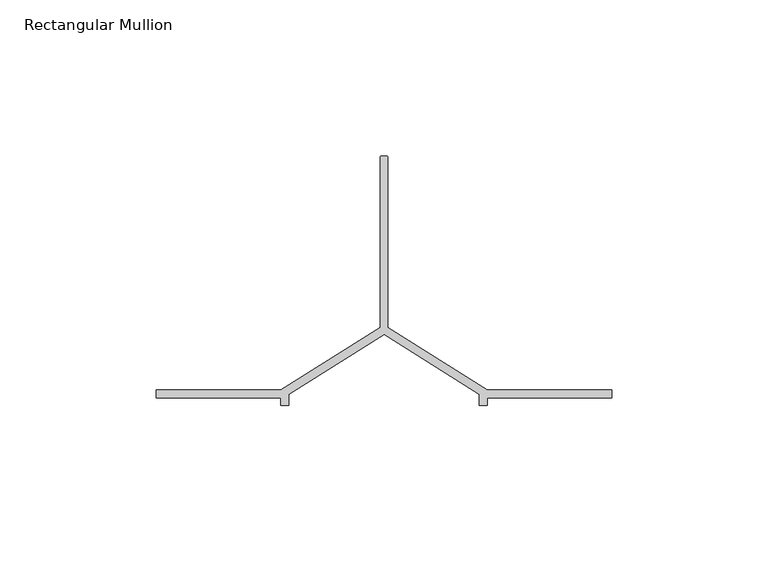
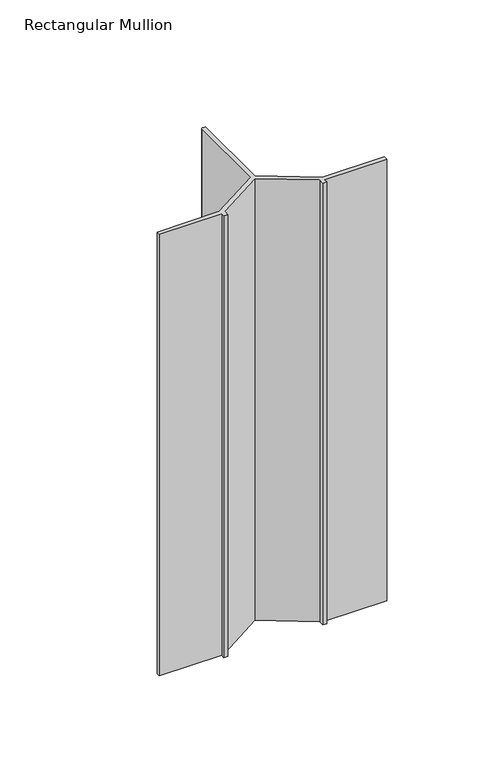
"""IFC4 building model written with IfcOpenShell, lengths in millimetres: member geometry, Rectangular Mullion."""

from ifc_helpers import new_model, si_unit, point, frame, frame_2d, origin, place, context, project, spatial, polyline, circle_curve, trimmed, segment, composite_curve, outline, extrude, source, transform, mapped, element, save


def rectangular_mullion_cc2f1219(model_context):
    return source(origin(), model_context, "Body", "SweptSolid", [
        extrude(outline(composite_curve([segment(polyline([(-0.75, -68.5), (0.75, -68.5)]), True, "CONTINUOUS"), segment(trimmed(circle_curve(frame_2d((0.75, -69.0)), 0.5), [point((0.75, -68.5))], [point((1.25, -69.0))], False, "CARTESIAN"), True, "CONTINUOUS"), segment(polyline([(1.25, -69.0), (1.25, -123.5), (33.0, -143.5), (73.0, -143.5), (73.0, -146.0), (33.0, -146.0), (33.0, -148.5), (30.5, -148.5), (30.5, -144.879855), (0.0, -125.6672566), (-30.5, -144.879855), (-30.5, -148.5), (-33.0, -148.5), (-33.0, -146.0), (-73.0, -146.0), (-73.0, -143.5), (-33.0, -143.5), (-1.25, -123.5), (-1.25, -69.0)]), True, "CONTINUOUS"), segment(trimmed(circle_curve(frame_2d((-0.75, -69.0)), 0.5), [point((-1.25, -69.0))], [point((-0.75, -68.5))], False, "CARTESIAN"), True, "CONTINUOUS")], self_intersect=False)), frame((0.0, 0.0, -300.0), z_axis=(0.0, 0.0, 1.0), x_axis=(1.0, 0.0, 0.0)), (0.0, 0.0, 1.0), 300.0),
    ])


if __name__ == "__main__":
    model = new_model("IFC4")
    model_context = context("Model", 3, world=origin())
    ifc_project = project(units=[si_unit("LENGTHUNIT", "METRE", prefix="MILLI")], contexts=[model_context])
    site = spatial("IfcSite", under=ifc_project)
    building = spatial("IfcBuilding", under=site)
    placement = place(None, origin())
    rectangular_mullion_shape = rectangular_mullion_cc2f1219(model_context)
    element("IfcMember", 1, ObjectType="Rectangular Mullion", at=placement, inside=building, context=model_context, shape_type="MappedRepresentation", body=[
        mapped(rectangular_mullion_shape, transform((0.0, 0.0, 0.0), x_axis=(1.0, 0.0, 0.0), y_axis=(0.0, 1.0, 0.0), z_axis=(0.0, 0.0, 1.0))),
    ])
    save(model, "model.ifc")
